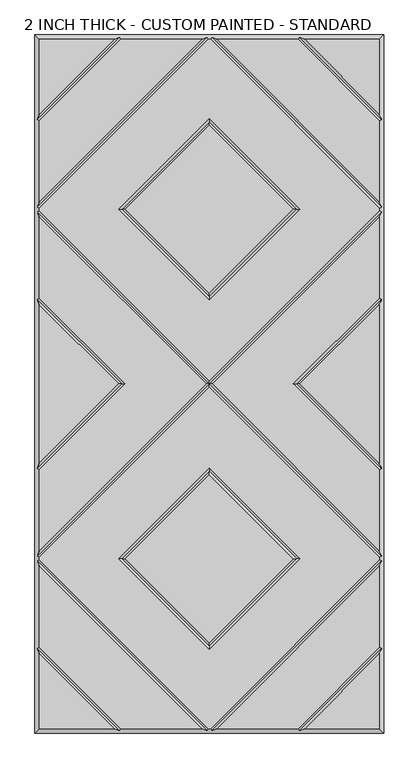
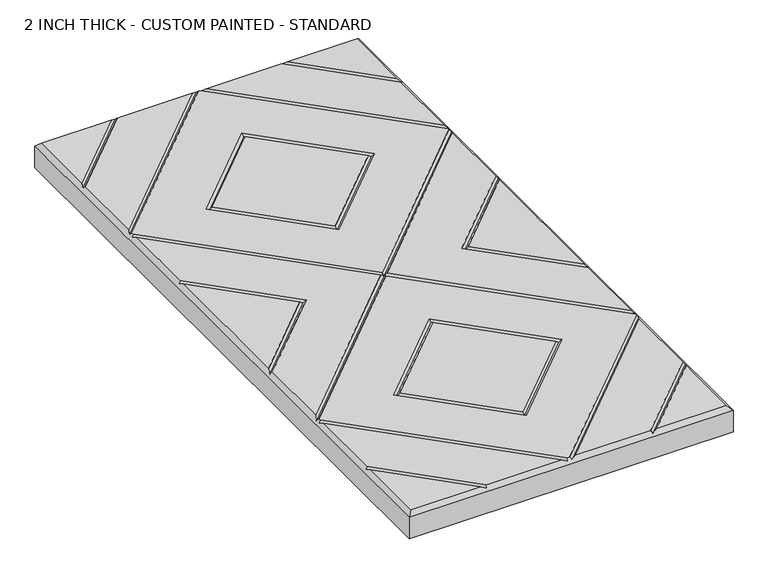
"""IFC4 building model written with IfcOpenShell, lengths in millimetres: proxy geometry, 2 INCH THICK - CUSTOM PAINTED - STANDARD."""

from ifc_helpers import new_model, si_unit, origin, place, context, project, spatial, faceted_brep, source, transform, mapped, element, save


def proxy_2_inch_thick_custom_painted_standard_111e4190(model_context):
    return source(origin(), model_context, "Body", "Brep", [
        faceted_brep([(296.799, 470.8590948, 50.8), (296.799, 601.599, 50.8), (166.0590948, 601.599, 50.8), (-166.0590948, 601.599, 50.8), (-296.799, 601.599, 50.8), (-296.799, 470.8590948, 50.8), (2.3434141, 601.599, 50.8), (-2.343464, 601.599, 50.8), (-296.799, 307.143464, 50.8), (-296.799, 302.4565868, 50.8), (0.0, 5.6575868, 50.8), (296.799, 302.4565868, 50.8), (296.799, 307.1434632, 50.8), (158.0575614, 304.8000254, 50.8), (0.0, 146.742464, 50.8), (-158.0575614, 304.8000254, 50.8), (0.0, 462.8575868, 50.8), (166.0590079, -601.599, 50.8), (296.799, -601.599, 50.8), (296.799, -470.8585721, 50.8), (-296.799, -601.599, 50.8), (-166.0590079, -601.599, 50.8), (-296.799, -470.8585721, 50.8), (-154.743972, 601.599, 50.8), (-296.799, 459.543972, 50.8), (-296.799, 318.4585868, 50.8), (-13.6585868, 601.599, 50.8), (-2.3434382, -601.599, 50.8), (2.3434382, -601.599, 50.8), (296.799, -307.1434137, 50.8), (296.799, -302.456536, 50.8), (0.0, -5.657536, 50.8), (-296.799, -302.456536, 50.8), (-296.799, -307.1434137, 50.8), (-158.0575614, -304.7999746, 50.8), (0.0, -146.7424132, 50.8), (158.0575614, -304.7999746, 50.8), (0.0, -462.857536, 50.8), (13.6585378, 601.599, 50.8), (296.799, 318.458585, 50.8), (296.799, 459.543972, 50.8), (154.743972, 601.599, 50.8), (296.799, -318.4585369, 50.8), (13.6585605, -601.599, 50.8), (154.743904, -601.599, 50.8), (296.799, -459.5434305, 50.8), (-13.6585605, -601.599, 50.8), (-296.799, -318.4585369, 50.8), (-296.799, -459.5434305, 50.8), (-154.743904, -601.599, 50.8), (0.0, 158.0575868, 50.8), (146.7424386, 304.8000254, 50.8), (0.0, 451.542464, 50.8), (-146.7424386, 304.8000254, 50.8), (-296.799, 291.141464, 50.8), (-296.799, 150.0565868, 50.8), (-146.7424386, 2.54e-05, 50.8), (-296.799, -150.056536, 50.8), (-296.799, -291.1414132, 50.8), (-5.6575614, 2.54e-05, 50.8), (-296.799, 138.741464, 50.8), (-296.799, -138.7414132, 50.8), (-158.0575614, 2.54e-05, 50.8), (5.6575614, 2.54e-05, 50.8), (296.799, -291.1414132, 50.8), (296.799, -150.056536, 50.8), (146.7424386, 2.54e-05, 50.8), (296.799, 150.0565868, 50.8), (296.799, 291.141464, 50.8), (296.799, -138.7414132, 50.8), (296.799, 138.741464, 50.8), (158.0575614, 2.54e-05, 50.8), (0.0, -158.057536, 50.8), (-146.7424386, -304.7999746, 50.8), (0.0, -451.5424132, 50.8), (146.7424386, -304.7999746, 50.8), (-304.8, 609.6, 0.0), (304.8, 609.6, 0.0), (304.8, -609.6, 0.0), (-304.8, -609.6, 0.0), (-304.8, -609.6, 42.799), (-304.8, 609.6, 42.799), (304.8, -609.6, 42.799), (304.8, 609.6, 42.799), (-156.4010334, 605.5995, 46.7995), (-4.0005254, 605.5995, 46.7995), (4.0004753, 605.5995, 46.7995), (156.4010334, 605.5995, 46.7995), (-300.7995, -461.2004879, 46.7995), (-300.7995, -308.8004749, 46.7995), (-300.7995, -300.7994746, 46.7995), (-300.7995, -148.3994746, 46.7995), (-300.7995, 148.3995254, 46.7995), (-300.7995, 300.7995254, 46.7995), (-300.7995, 308.8005254, 46.7995), (-300.7995, 461.2010334, 46.7995), (156.4009693, -605.5995, 46.7995), (4.0004997, -605.5995, 46.7995), (-4.0004997, -605.5995, 46.7995), (-156.4009693, -605.5995, 46.7995), (300.7995, 461.2010334, 46.7995), (300.7995, 308.8005247, 46.7995), (300.7995, 300.7995254, 46.7995), (300.7995, 148.3995254, 46.7995), (300.7995, -148.3994746, 46.7995), (300.7995, -300.7994746, 46.7995), (300.7995, -308.8004749, 46.7995), (300.7995, -461.2004879, 46.7995), (0.0, 2.54e-05, 46.7995), (152.4, 304.8000254, 46.7995), (0.0, 152.4000254, 46.7995), (-152.4, 304.8000254, 46.7995), (0.0, 457.2000254, 46.7995), (-152.4, 2.54e-05, 46.7995), (152.4, 2.54e-05, 46.7995), (0.0, -152.3999746, 46.7995), (-152.4, -304.7999746, 46.7995), (0.0, -457.1999746, 46.7995), (152.4, -304.7999746, 46.7995)], [[[0, 1, 2]], [[3, 4, 5]], [[6, 7, 8, 9, 10, 11, 12], [13, 14, 15, 16]], [[17, 18, 19]], [[20, 21, 22]], [[23, 24, 25, 26]], [[27, 28, 29, 30, 31, 32, 33], [34, 35, 36, 37]], [[38, 39, 40, 41]], [[42, 43, 44, 45]], [[46, 47, 48, 49]], [[50, 51, 52, 53]], [[54, 55, 56, 57, 58, 59]], [[60, 61, 62]], [[63, 64, 65, 66, 67, 68]], [[69, 70, 71]], [[72, 73, 74, 75]], [[76, 77, 78, 79]], [[76, 79, 80, 81]], [[79, 78, 82, 80]], [[78, 77, 83, 82]], [[77, 76, 81, 83]], [[81, 4, 3, 84, 23, 26, 85, 7, 6, 86, 38, 41, 87, 2, 1, 83]], [[4, 81, 80, 20, 22, 88, 48, 47, 89, 33, 32, 90, 58, 57, 91, 61, 60, 92, 55, 54, 93, 9, 8, 94, 25, 24, 95, 5]], [[20, 80, 82, 18, 17, 96, 44, 43, 97, 28, 27, 98, 46, 49, 99, 21]], [[83, 1, 0, 100, 40, 39, 101, 12, 11, 102, 68, 67, 103, 70, 69, 104, 65, 64, 105, 30, 29, 106, 42, 45, 107, 19, 18, 82]], [[84, 95, 24, 23]], [[95, 84, 3, 5]], [[101, 86, 6, 12]], [[86, 101, 39, 38]], [[85, 94, 8, 7]], [[94, 85, 26, 25]], [[9, 93, 108, 10]], [[105, 64, 63, 108]], [[93, 54, 59, 108]], [[30, 105, 108, 31]], [[106, 97, 43, 42]], [[97, 106, 29, 28]], [[98, 89, 47, 46]], [[89, 98, 27, 33]], [[109, 110, 14, 13]], [[110, 109, 51, 50]], [[14, 110, 111, 15]], [[110, 50, 53, 111]], [[15, 111, 112, 16]], [[111, 53, 52, 112]], [[109, 13, 16, 112]], [[51, 109, 112, 52]], [[87, 100, 0, 2]], [[100, 87, 41, 40]], [[113, 56, 55, 92]], [[62, 113, 92, 60]], [[56, 113, 91, 57]], [[113, 62, 61, 91]], [[90, 108, 59, 58]], [[108, 102, 11, 10]], [[108, 90, 32, 31]], [[102, 108, 63, 68]], [[114, 71, 70, 103]], [[66, 114, 103, 67]], [[71, 114, 104, 69]], [[114, 66, 65, 104]], [[115, 116, 73, 72]], [[116, 115, 35, 34]], [[73, 116, 117, 74]], [[116, 34, 37, 117]], [[74, 117, 118, 75]], [[117, 37, 36, 118]], [[115, 72, 75, 118]], [[35, 115, 118, 36]], [[88, 99, 49, 48]], [[99, 88, 22, 21]], [[107, 96, 17, 19]], [[96, 107, 45, 44]]]),
    ])


if __name__ == "__main__":
    model = new_model("IFC4")
    model_context = context("Model", 3, world=origin())
    ifc_project = project(units=[si_unit("LENGTHUNIT", "METRE", prefix="MILLI")], contexts=[model_context])
    site = spatial("IfcSite", under=ifc_project)
    building = spatial("IfcBuilding", under=site)
    placement = place(None, origin())
    proxy_2_inch_thick_custom_painted_standard_shape = proxy_2_inch_thick_custom_painted_standard_111e4190(model_context)
    element("IfcBuildingElementProxy", 1, Name="2 INCH THICK - CUSTOM PAINTED - STANDARD", ObjectType="2 INCH THICK - CUSTOM PAINTED - STANDARD", at=placement, inside=building, context=model_context, shape_type="MappedRepresentation", body=[
        mapped(proxy_2_inch_thick_custom_painted_standard_shape, transform((0.0, 0.0, 0.0), x_axis=(1.0, 0.0, 0.0), y_axis=(0.0, 1.0, 0.0), z_axis=(0.0, 0.0, 1.0))),
    ])
    save(model, "model.ifc")
